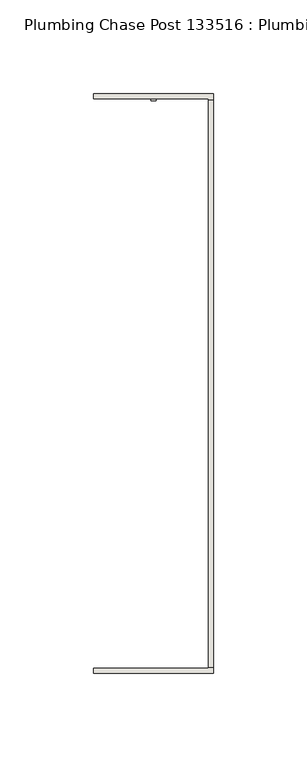
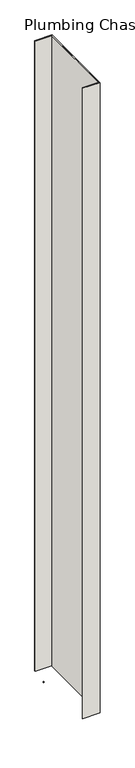
"""IFC4 building model written with IfcOpenShell, lengths in millimetres: wall geometry, Plumbing Chase Post 133516 : Plumbing Chase Post 133516."""

import ifcopenshell
import ifcopenshell.guid

model = None  # the IFC model being written
_history = None  # IfcOwnerHistory: only IFC2X3 demands one
_inside = {}  # id of a spatial element -> (the spatial element, [elements in it])
_under = {}  # id of a project, library or spatial element -> (it, [spatial elements below it])
_declared = {}  # id of a project -> (the project, [libraries it declares])
_typed = {}  # id of a type object -> (the type object, [elements of that type])
_made_of = {}  # id of a material, layer set ... -> (it, [elements and type objects made of it])


def new_model(schema):
    """Start an empty IFC model of exactly this schema.

    Asked for "IFC4X3", IfcOpenShell would pick the latest addendum, in which some entities
    have other attributes; the version numbers below select the first issue.
    IFC2X3 requires an IfcOwnerHistory on every rooted entity: one is made here for all.
    """
    global model, _history
    if schema == "IFC4X3":
        model = ifcopenshell.file(schema_version=(4, 3, 0, 0))
    else:
        model = ifcopenshell.file(schema=schema)
    _inside.clear()
    _under.clear()
    _declared.clear()
    _typed.clear()
    _made_of.clear()
    _history = None
    if model.schema == "IFC2X3":
        org = make("IfcOrganization", Name="unknown")
        user = make(
            "IfcPersonAndOrganization",
            ThePerson=make("IfcPerson", FamilyName="unknown"),
            TheOrganization=org,
        )
        app = make(
            "IfcApplication",
            ApplicationDeveloper=org,
            Version="unknown",
            ApplicationFullName="unknown",
            ApplicationIdentifier="unknown",
        )
        _history = make(
            "IfcOwnerHistory",
            OwningUser=user,
            OwningApplication=app,
            ChangeAction="ADDED",
            CreationDate=0,
        )
    return model


def make(cls, **values):
    """One entity of the class cls with the attributes given. An attribute that is None is left unset."""
    return model.create_entity(
        cls, **{name: value for name, value in values.items() if value is not None}
    )


def rooted(cls, **values):
    """An entity with a GlobalId (a new one), such as an element, a storey or a relation."""
    return make(cls, GlobalId=ifcopenshell.guid.new(), OwnerHistory=_history, **values)


def si_unit(unit_type, name, prefix=None):
    """IfcSIUnit, for example si_unit("LENGTHUNIT", "METRE", prefix="MILLI")."""
    return make("IfcSIUnit", UnitType=unit_type, Prefix=prefix, Name=name)


def assignment(units):
    """IfcUnitAssignment: the units of a project."""
    return None if units is None else make("IfcUnitAssignment", Units=units)


def point(xyz):
    """IfcCartesianPoint."""
    return None if xyz is None else make("IfcCartesianPoint", Coordinates=xyz)


def direction(xyz):
    """IfcDirection."""
    return None if xyz is None else make("IfcDirection", DirectionRatios=xyz)


def frame(location, z_axis=None, x_axis=None):
    """IfcAxis2Placement3D, a coordinate frame: its origin and axes. An axis left out is left unset."""
    return make(
        "IfcAxis2Placement3D",
        Location=point(location),
        Axis=direction(z_axis),
        RefDirection=direction(x_axis),
    )


def origin():
    """The frame at (0, 0, 0) with its axes left unset."""
    return frame((0.0, 0.0, 0.0))


def place(relative_to, where):
    """IfcLocalPlacement: puts the frame where relative to a parent placement (None: the world)."""
    return make(
        "IfcLocalPlacement", PlacementRelTo=relative_to, RelativePlacement=where
    )


def context(
    kind, dimensions, precision=None, world=None, true_north=None, identifier=None
):
    """IfcGeometricRepresentationContext, for example the 3D "Model" context."""
    return make(
        "IfcGeometricRepresentationContext",
        ContextIdentifier=identifier,
        ContextType=kind,
        CoordinateSpaceDimension=dimensions,
        Precision=precision,
        WorldCoordinateSystem=world,
        TrueNorth=true_north,
    )


def project(units=None, contexts=None):
    """IfcProject with its units and contexts."""
    return rooted(
        "IfcProject",
        Name="project",
        RepresentationContexts=contexts,
        UnitsInContext=assignment(units),
    )


def spatial(cls, under=None, at=None, **own):
    """A site, building, storey or space (cls), placed at a placement, below another one or the project."""
    s = rooted(cls, ObjectPlacement=at, **own)
    if under is not None:
        _under.setdefault(under.id(), (under, []))[1].append(s)
    return s


def polyline(points):
    """IfcPolyline through the points."""
    return make("IfcPolyline", Points=[point(p) for p in points])


def outline(outer, holes=None, kind="AREA"):
    """IfcArbitraryClosedProfileDef: a profile drawn as a closed curve; with holes, ...WithVoids."""
    if holes is None:
        return make("IfcArbitraryClosedProfileDef", ProfileType=kind, OuterCurve=outer)
    return make(
        "IfcArbitraryProfileDefWithVoids",
        ProfileType=kind,
        OuterCurve=outer,
        InnerCurves=holes,
    )


def extrude(swept, where, along, depth):
    """IfcExtrudedAreaSolid: the profile swept, set in the frame where, extruded along a direction by depth."""
    return make(
        "IfcExtrudedAreaSolid",
        SweptArea=swept,
        Position=where,
        ExtrudedDirection=direction(along),
        Depth=depth,
    )


def shape(context_of_items, identifier, shape_type, items):
    """IfcShapeRepresentation: the items that make up one representation, for example the "Body"."""
    return make(
        "IfcShapeRepresentation",
        ContextOfItems=context_of_items,
        RepresentationIdentifier=identifier,
        RepresentationType=shape_type,
        Items=items,
    )


def source(mapping_origin, context_of_items, identifier, shape_type, items):
    """IfcRepresentationMap: a shape defined once, which mapped items show again and again."""
    return make(
        "IfcRepresentationMap",
        MappingOrigin=mapping_origin,
        MappedRepresentation=shape(context_of_items, identifier, shape_type, items),
    )


def transform(
    local_origin,
    x_axis=None,
    y_axis=None,
    z_axis=None,
    scale=None,
    scale2=None,
    scale3=None,
    uniform=True,
):
    """IfcCartesianTransformationOperator3D, or its non-uniform kind. x_axis, y_axis, z_axis: its Axis1, 2, 3."""
    if uniform:
        return make(
            "IfcCartesianTransformationOperator3D",
            Axis1=direction(x_axis),
            Axis2=direction(y_axis),
            LocalOrigin=point(local_origin),
            Scale=scale,
            Axis3=direction(z_axis),
        )
    return make(
        "IfcCartesianTransformationOperator3DnonUniform",
        Axis1=direction(x_axis),
        Axis2=direction(y_axis),
        LocalOrigin=point(local_origin),
        Scale=scale,
        Axis3=direction(z_axis),
        Scale2=scale2,
        Scale3=scale3,
    )


def mapped(mapping_source, mapping_target):
    """IfcMappedItem: shows the shape of a source again, moved by a transform."""
    return make(
        "IfcMappedItem", MappingSource=mapping_source, MappingTarget=mapping_target
    )


def made_of(thing, what):
    """Note that an element or type object is made of a material, layer set ...; save() writes the relation."""
    if what is not None:
        _made_of.setdefault(what.id(), (what, []))[1].append(thing)
    return thing


def element(
    cls,
    number,
    at=None,
    inside=None,
    cuts=None,
    type_object=None,
    material=None,
    context=None,
    identifier="Body",
    shape_type=None,
    held_by="IfcProductDefinitionShape",
    body=None,
    shapes=None,
    **own,
):
    """One element of the class cls, such as IfcWall. Its Tag is "e" and its number.

    at: its placement. inside: the storey or other place that contains it. cuts: it is an
    opening in that element (IfcRelVoidsElement). A single representation is given by context,
    identifier, shape_type and body (its items); several are given by shapes. held_by: the class
    of the entity that holds the representations. save() writes the other relations.
    """
    e = rooted(cls, Tag="e%d" % number, ObjectPlacement=at, **own)
    if body is not None:
        shapes = [shape(context, identifier, shape_type, body)]
    if shapes is not None:
        e.Representation = make(held_by, Representations=shapes)
    if inside is not None:
        _inside.setdefault(inside.id(), (inside, []))[1].append(e)
    if cuts is not None:
        rooted(
            "IfcRelVoidsElement", RelatingBuildingElement=cuts, RelatedOpeningElement=e
        )
    if type_object is not None:
        _typed.setdefault(type_object.id(), (type_object, []))[1].append(e)
    return made_of(e, material)


def aggregate(whole, parts):
    """IfcRelAggregates: a whole, such as a stair, and the parts it consists of."""
    return rooted("IfcRelAggregates", RelatingObject=whole, RelatedObjects=parts)


def save(model, path):
    """Write the relations noted so far, then the file.

    IfcRelAggregates (storeys below a building ...), IfcRelContainedInSpatialStructure (elements
    in a storey), IfcRelDefinesByType, IfcRelAssociatesMaterial and IfcRelDeclares: one each for
    every whole, place, type object, material and project.
    """
    for whole, parts in _under.values():
        aggregate(whole, parts)
    for where, things in _inside.values():
        rooted(
            "IfcRelContainedInSpatialStructure",
            RelatedElements=things,
            RelatingStructure=where,
        )
    for kind, things in _typed.values():
        rooted("IfcRelDefinesByType", RelatedObjects=things, RelatingType=kind)
    for what, things in _made_of.values():
        rooted("IfcRelAssociatesMaterial", RelatedObjects=things, RelatingMaterial=what)
    for by, libraries in _declared.values():
        rooted("IfcRelDeclares", RelatingContext=by, RelatedDefinitions=libraries)
    model.write(path)


def plumbing_chase_post_133516_plumbing_chase_post_133516_8d8383f9(model_context):
    return source(origin(), model_context, "Body", "SweptSolid", [
        extrude(outline(polyline([(72290.342211, -45061.5707352), (72290.342211, -45059.0307352), (72292.882211, -45059.0307352), (72292.882211, -45061.5707352), (72290.342211, -45061.5707352)])), frame((0.0, 0.0, 4419.6), z_axis=(0.0, 0.0, 1.0), x_axis=(1.0, 0.0, 0.0)), (0.0, 0.0, 1.0), 2.54),
        extrude(outline(polyline([(72323.6040444, -45061.7331936), (72323.6040444, -45364.2976888), (72320.9375524, -45364.2976888), (72320.9375524, -45061.7331936), (72323.6040444, -45061.7331936)])), frame((0.0, 0.0, 4474.8958), z_axis=(0.0, 0.0, 1.0), x_axis=(1.0, 0.0, 0.0)), (0.0, 0.0, 1.0), 2481.1482254),
        extrude(outline(polyline([(72323.6040444, -45061.7331936), (72323.6040444, -45364.2976888), (72320.9375524, -45364.2976888), (72320.9375524, -45061.7331936), (72323.6040444, -45061.7331936)])), frame((0.0, 0.0, 4474.8958), z_axis=(0.0, 0.0, 1.0), x_axis=(1.0, 0.0, 0.0)), (0.0, 0.0, 1.0), 2481.1482254),
        extrude(outline(polyline([(72323.6040444, -45058.2791492), (72323.6040444, -45191.6291492), (72320.9375524, -45191.6291492), (72320.9375524, -45060.9456666), (72259.5955618, -45060.9456666), (72259.5955618, -45058.2791492), (72323.6040444, -45058.2791492)])), frame((0.0, 0.0, 4474.8958), z_axis=(0.0, 0.0, 1.0), x_axis=(1.0, 0.0, 0.0)), (0.0, 0.0, 1.0), 2481.1482254),
        extrude(outline(polyline([(72323.6040444, -45058.2791492), (72323.6040444, -45191.6291492), (72320.9375524, -45191.6291492), (72320.9375524, -45060.9456666), (72259.5955618, -45060.9456666), (72259.5955618, -45058.2791492), (72323.6040444, -45058.2791492)])), frame((0.0, 0.0, 4474.8958), z_axis=(0.0, 0.0, 1.0), x_axis=(1.0, 0.0, 0.0)), (0.0, 0.0, 1.0), 2481.1482254),
        extrude(outline(polyline([(72320.9375524, -45234.4017332), (72323.6040444, -45234.4017332), (72323.6040444, -45367.7517332), (72259.5955618, -45367.7517332), (72259.5955618, -45365.0852412), (72320.9375524, -45365.0852412), (72320.9375524, -45234.4017332)])), frame((0.0, 0.0, 4474.8958), z_axis=(0.0, 0.0, 1.0), x_axis=(1.0, 0.0, 0.0)), (0.0, 0.0, 1.0), 2481.1482254),
        extrude(outline(polyline([(72320.9375524, -45234.4017332), (72323.6040444, -45234.4017332), (72323.6040444, -45367.7517332), (72259.5955618, -45367.7517332), (72259.5955618, -45365.0852412), (72320.9375524, -45365.0852412), (72320.9375524, -45234.4017332)])), frame((0.0, 0.0, 4474.8958), z_axis=(0.0, 0.0, 1.0), x_axis=(1.0, 0.0, 0.0)), (0.0, 0.0, 1.0), 2481.1482254),
    ])


if __name__ == "__main__":
    model = new_model("IFC4")
    model_context = context("Model", 3, world=origin())
    ifc_project = project(units=[si_unit("LENGTHUNIT", "METRE", prefix="MILLI")], contexts=[model_context])
    site = spatial("IfcSite", under=ifc_project)
    building = spatial("IfcBuilding", under=site)
    placement = place(None, origin())
    plumbing_chase_post_133516_plumbing_chase_post_133516_shape = plumbing_chase_post_133516_plumbing_chase_post_133516_8d8383f9(model_context)
    element("IfcWall", 1, ObjectType="Plumbing Chase Post 133516 : Plumbing Chase Post 133516", at=placement, inside=building, context=model_context, shape_type="MappedRepresentation", body=[
        mapped(plumbing_chase_post_133516_plumbing_chase_post_133516_shape, transform((0.0, 0.0, 0.0), x_axis=(1.0, 0.0, 0.0), y_axis=(0.0, 1.0, 0.0), z_axis=(0.0, 0.0, 1.0))),
    ])
    save(model, "model.ifc")
